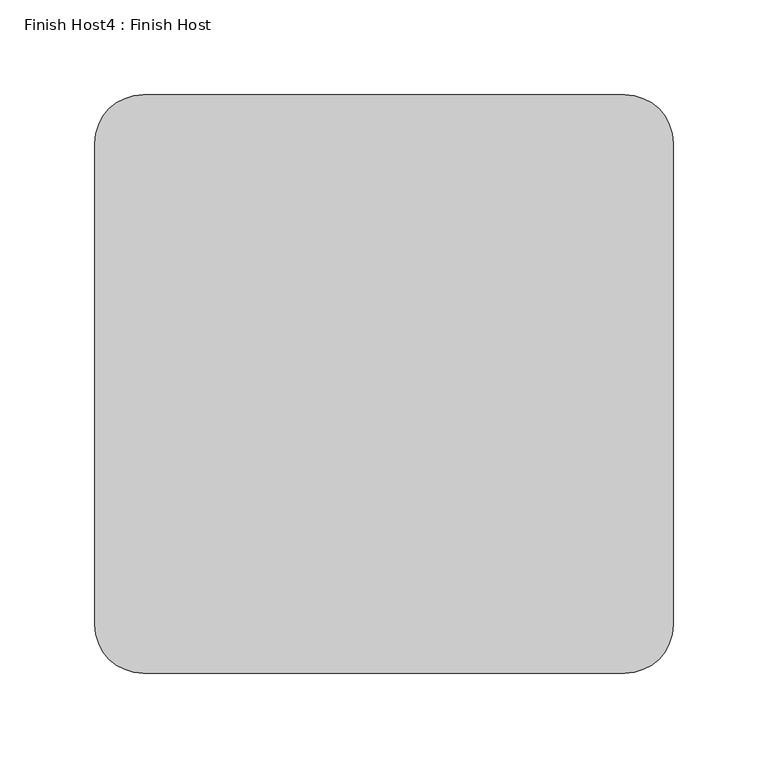
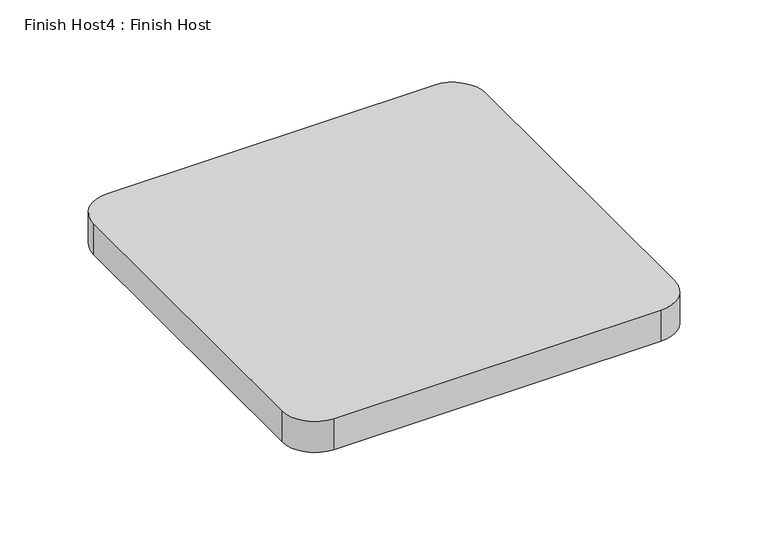
"""IFC4 building model written with IfcOpenShell, lengths in millimetres: proxy geometry, Finish Host4 : Finish Host."""

from ifc_helpers import new_model, si_unit, point, frame_2d, origin, origin_with_axes, place, context, project, spatial, polyline, circle_curve, trimmed, segment, composite_curve, outline, extrude, source, transform, mapped, element, save


def finish_host4_finish_host_29c3d501(model_context):
    return source(origin(), model_context, "Body", "SweptSolid", [
        extrude(outline(composite_curve([segment(polyline([(1953.0934426, 3188.0122951), (1953.0934426, 3442.0122951)]), True, "CONTINUOUS"), segment(trimmed(circle_curve(frame_2d((1978.4934426, 3442.0122951)), 25.4), [point((1953.0934426, 3442.0122951))], [point((1978.4934426, 3467.4122951))], False, "CARTESIAN"), True, "CONTINUOUS"), segment(polyline([(1978.4934426, 3467.4122951), (2232.4934426, 3467.4122951)]), True, "CONTINUOUS"), segment(trimmed(circle_curve(frame_2d((2232.4934426, 3442.0122951)), 25.4), [point((2232.4934426, 3467.4122951))], [point((2257.8934426, 3442.0122951))], False, "CARTESIAN"), True, "CONTINUOUS"), segment(polyline([(2257.8934426, 3442.0122951), (2257.8934426, 3188.0122951)]), True, "CONTINUOUS"), segment(trimmed(circle_curve(frame_2d((2232.4934426, 3188.0122951)), 25.4), [point((2257.8934426, 3188.0122951))], [point((2232.4934426, 3162.6122951))], False, "CARTESIAN"), True, "CONTINUOUS"), segment(polyline([(2232.4934426, 3162.6122951), (1978.4934426, 3162.6122951)]), True, "CONTINUOUS"), segment(trimmed(circle_curve(frame_2d((1978.4934426, 3188.0122951)), 25.4), [point((1978.4934426, 3162.6122951))], [point((1953.0934426, 3188.0122951))], False, "CARTESIAN"), True, "CONTINUOUS")], self_intersect=False)), origin_with_axes(), (0.0, 0.0, 1.0), 25.4),
    ])


if __name__ == "__main__":
    model = new_model("IFC4")
    model_context = context("Model", 3, world=origin())
    ifc_project = project(units=[si_unit("LENGTHUNIT", "METRE", prefix="MILLI")], contexts=[model_context])
    site = spatial("IfcSite", under=ifc_project)
    building = spatial("IfcBuilding", under=site)
    placement = place(None, origin())
    finish_host4_finish_host_shape = finish_host4_finish_host_29c3d501(model_context)
    element("IfcBuildingElementProxy", 1, Name="Finish Host4 : Finish Host", ObjectType="Finish Host4 : Finish Host", at=placement, inside=building, context=model_context, shape_type="MappedRepresentation", body=[
        mapped(finish_host4_finish_host_shape, transform((0.0, 0.0, 0.0), x_axis=(1.0, 0.0, 0.0), y_axis=(0.0, 1.0, 0.0), z_axis=(0.0, 0.0, 1.0))),
    ])
    save(model, "model.ifc")
